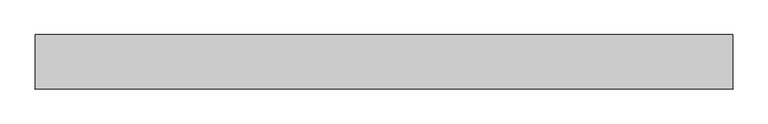
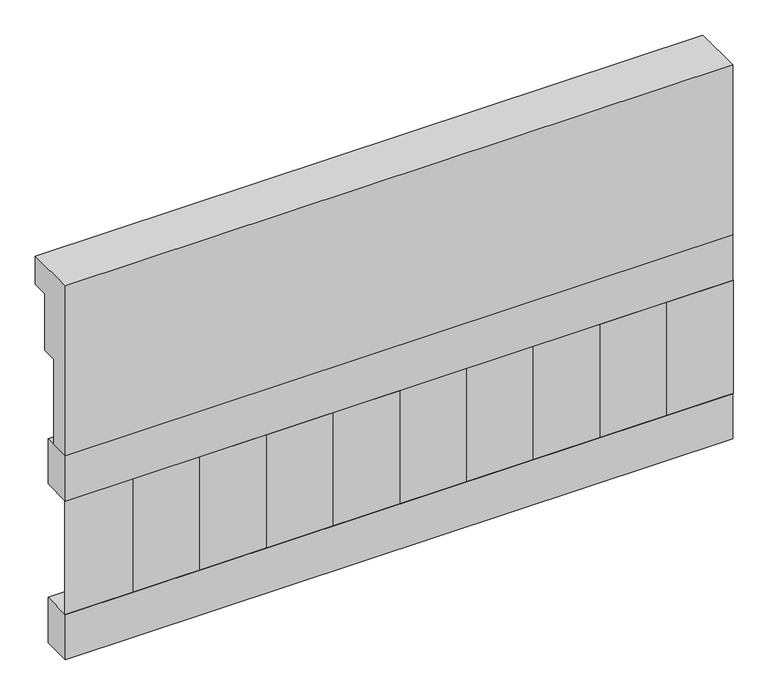
"""IFC4 building model written with IfcOpenShell, lengths in millimetres: railing geometry."""

from ifc_helpers import new_model, si_unit, frame, origin, place, context, project, spatial, polyline, outline, extrude, source, transform, mapped, element, save


def railing_05d27e24(model_context):
    return source(origin(), model_context, "Body", "SweptSolid", [
        extrude(outline(polyline([(903.1079487, 25100.0), (1033.1079487, 25100.0), (1033.1079487, 25025.0), (993.1079487, 25025.0), (993.1079487, 24875.0), (953.1079487, 24875.0), (953.1079487, 24650.0), (903.1079487, 24650.0), (903.1079487, 25100.0)])), frame((-12439.9887159, 0.0, 0.0), z_axis=(1.0, 0.0, 0.0), x_axis=(0.0, 1.0, 0.0)), (0.0, 0.0, 1.0), 1670.0),
        extrude(outline(polyline([(-10769.9887159, 978.1079487), (-10769.9887159, 903.1079487), (-12439.9887159, 903.1079487), (-12439.9887159, 978.1079487), (-10769.9887159, 978.1079487)])), frame((0.0, 0.0, 24530.0), z_axis=(0.0, 0.0, 1.0), x_axis=(1.0, 0.0, 0.0)), (0.0, 0.0, 1.0), 120.0),
        extrude(outline(polyline([(-10769.9887159, 978.1079487), (-10769.9887159, 903.1079487), (-12439.9887159, 903.1079487), (-12439.9887159, 978.1079487), (-10769.9887159, 978.1079487)])), frame((0.0, 0.0, 24110.0), z_axis=(0.0, 0.0, 1.0), x_axis=(1.0, 0.0, 0.0)), (0.0, 0.0, 1.0), 120.0),
        extrude(outline(polyline([(-12356.4887159, 987.9607624), (-12271.6359022, 903.1079487), (-12441.3415296, 903.1079487), (-12356.4887159, 987.9607624)])), frame((0.0, 0.0, 24230.0), z_axis=(0.0, 0.0, 1.0), x_axis=(1.0, 0.0, 0.0)), (0.0, 0.0, 1.0), 300.0),
        extrude(outline(polyline([(-12189.4887159, 987.9607624), (-12104.6359022, 903.1079487), (-12274.3415296, 903.1079487), (-12189.4887159, 987.9607624)])), frame((0.0, 0.0, 24230.0), z_axis=(0.0, 0.0, 1.0), x_axis=(1.0, 0.0, 0.0)), (0.0, 0.0, 1.0), 300.0),
        extrude(outline(polyline([(-12022.4887159, 987.9607624), (-11937.6359022, 903.1079487), (-12107.3415296, 903.1079487), (-12022.4887159, 987.9607624)])), frame((0.0, 0.0, 24230.0), z_axis=(0.0, 0.0, 1.0), x_axis=(1.0, 0.0, 0.0)), (0.0, 0.0, 1.0), 300.0),
        extrude(outline(polyline([(-11855.4887159, 987.9607624), (-11770.6359022, 903.1079487), (-11940.3415296, 903.1079487), (-11855.4887159, 987.9607624)])), frame((0.0, 0.0, 24230.0), z_axis=(0.0, 0.0, 1.0), x_axis=(1.0, 0.0, 0.0)), (0.0, 0.0, 1.0), 300.0),
        extrude(outline(polyline([(-11688.4887159, 987.9607624), (-11603.6359022, 903.1079487), (-11773.3415296, 903.1079487), (-11688.4887159, 987.9607624)])), frame((0.0, 0.0, 24230.0), z_axis=(0.0, 0.0, 1.0), x_axis=(1.0, 0.0, 0.0)), (0.0, 0.0, 1.0), 300.0),
        extrude(outline(polyline([(-11521.4887159, 987.9607624), (-11436.6359022, 903.1079487), (-11606.3415296, 903.1079487), (-11521.4887159, 987.9607624)])), frame((0.0, 0.0, 24230.0), z_axis=(0.0, 0.0, 1.0), x_axis=(1.0, 0.0, 0.0)), (0.0, 0.0, 1.0), 300.0),
        extrude(outline(polyline([(-11354.4887159, 987.9607624), (-11269.6359022, 903.1079487), (-11439.3415296, 903.1079487), (-11354.4887159, 987.9607624)])), frame((0.0, 0.0, 24230.0), z_axis=(0.0, 0.0, 1.0), x_axis=(1.0, 0.0, 0.0)), (0.0, 0.0, 1.0), 300.0),
        extrude(outline(polyline([(-11187.4887159, 987.9607624), (-11102.6359022, 903.1079487), (-11272.3415296, 903.1079487), (-11187.4887159, 987.9607624)])), frame((0.0, 0.0, 24230.0), z_axis=(0.0, 0.0, 1.0), x_axis=(1.0, 0.0, 0.0)), (0.0, 0.0, 1.0), 300.0),
        extrude(outline(polyline([(-11020.4887159, 987.9607624), (-10935.6359022, 903.1079487), (-11105.3415296, 903.1079487), (-11020.4887159, 987.9607624)])), frame((0.0, 0.0, 24230.0), z_axis=(0.0, 0.0, 1.0), x_axis=(1.0, 0.0, 0.0)), (0.0, 0.0, 1.0), 300.0),
        extrude(outline(polyline([(-10853.4887159, 987.9607624), (-10768.6359022, 903.1079487), (-10938.3415296, 903.1079487), (-10853.4887159, 987.9607624)])), frame((0.0, 0.0, 24230.0), z_axis=(0.0, 0.0, 1.0), x_axis=(1.0, 0.0, 0.0)), (0.0, 0.0, 1.0), 300.0),
    ])


if __name__ == "__main__":
    model = new_model("IFC4")
    model_context = context("Model", 3, world=origin())
    ifc_project = project(units=[si_unit("LENGTHUNIT", "METRE", prefix="MILLI")], contexts=[model_context])
    site = spatial("IfcSite", under=ifc_project)
    building = spatial("IfcBuilding", under=site)
    placement = place(None, origin())
    railing_shape = railing_05d27e24(model_context)
    element("IfcRailing", 1, at=placement, inside=building, context=model_context, shape_type="MappedRepresentation", body=[
        mapped(railing_shape, transform((0.0, 0.0, 0.0), x_axis=(1.0, 0.0, 0.0), y_axis=(0.0, 1.0, 0.0), z_axis=(0.0, 0.0, 1.0))),
    ])
    save(model, "model.ifc")
